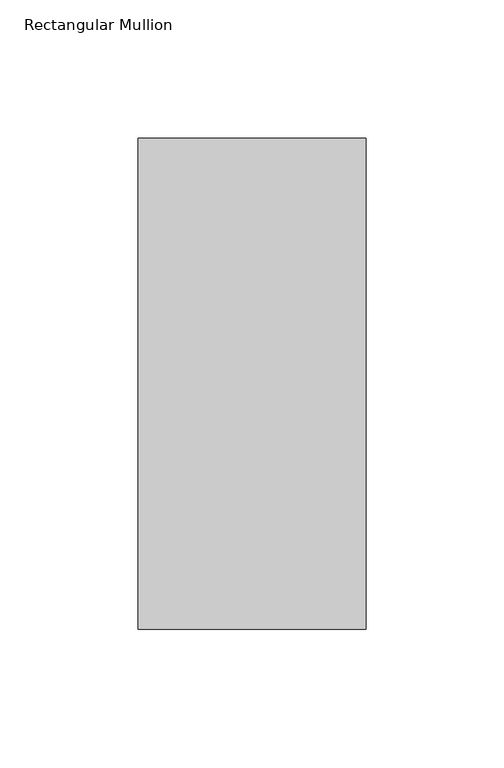
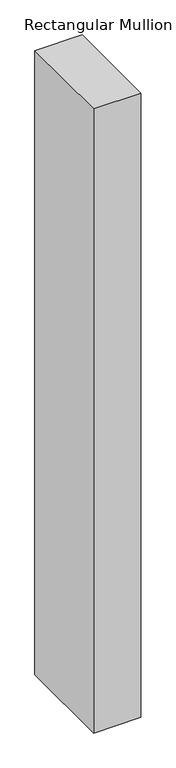
"""IFC4 building model written with IfcOpenShell, lengths in millimetres: member geometry, Rectangular Mullion."""

from ifc_helpers import new_model, si_unit, frame, origin, place, context, project, spatial, polyline, outline, extrude, source, transform, mapped, element, save


def rectangular_mullion_b6ec14dd(model_context):
    return source(origin(), model_context, "Body", "SweptSolid", [
        extrude(outline(polyline([(-36.9405973, 149.225), (45.6094027, 149.225), (45.6094027, -28.575), (-36.9405973, -28.575), (-36.9405973, 149.225)])), frame((0.0, 0.0, -1152.525), z_axis=(0.0, 0.0, 1.0), x_axis=(1.0, 0.0, 0.0)), (0.0, 0.0, 1.0), 1152.525),
    ])


if __name__ == "__main__":
    model = new_model("IFC4")
    model_context = context("Model", 3, world=origin())
    ifc_project = project(units=[si_unit("LENGTHUNIT", "METRE", prefix="MILLI")], contexts=[model_context])
    site = spatial("IfcSite", under=ifc_project)
    building = spatial("IfcBuilding", under=site)
    placement = place(None, origin())
    rectangular_mullion_shape = rectangular_mullion_b6ec14dd(model_context)
    element("IfcMember", 1, ObjectType="Rectangular Mullion", at=placement, inside=building, context=model_context, shape_type="MappedRepresentation", body=[
        mapped(rectangular_mullion_shape, transform((0.0, 0.0, 0.0), x_axis=(1.0, 0.0, 0.0), y_axis=(0.0, 1.0, 0.0), z_axis=(0.0, 0.0, 1.0))),
    ])
    save(model, "model.ifc")
